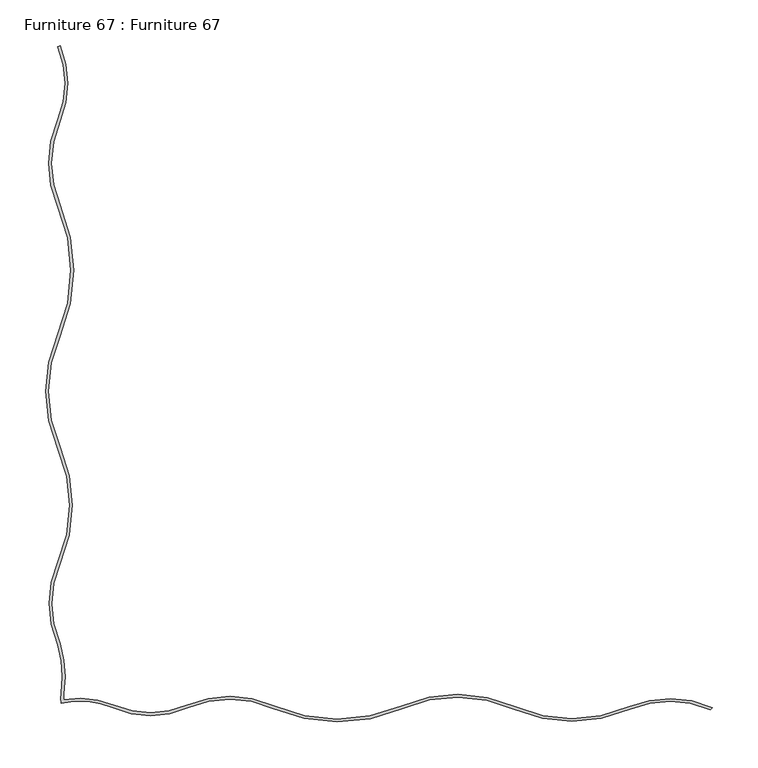
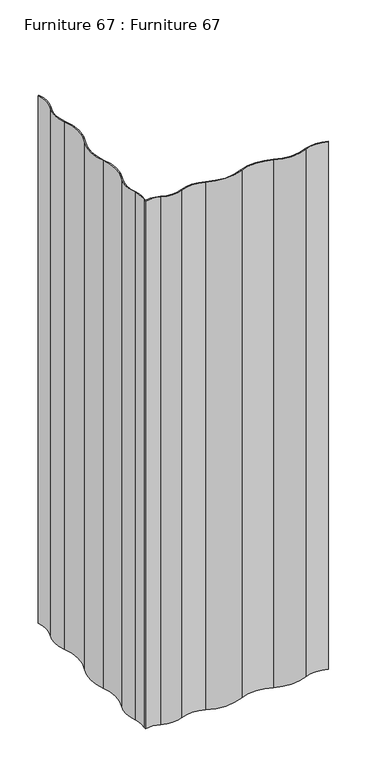
"""IFC4 building model written with IfcOpenShell, lengths in millimetres: furniture geometry, Furniture 67 : Furniture 67."""

from ifc_helpers import new_model, si_unit, point, frame, frame_2d, origin, place, context, project, spatial, polyline, circle_curve, trimmed, segment, composite_curve, outline, extrude, source, transform, mapped, element, save


def furniture_67_furniture_67_591b646f(model_context):
    return source(origin(), model_context, "Body", "SweptSolid", [
        extrude(outline(composite_curve([segment(trimmed(circle_curve(frame_2d((568.6067427, -7503.4659994)), 174.5827018), [point((728.5414786, -7573.4659994))], [point((728.5414786, -7433.4659994))], True, "CARTESIAN"), True, "CONTINUOUS"), segment(trimmed(circle_curve(frame_2d((837.0686208, -7385.9659994)), 118.4668333), [point((728.5414786, -7433.4659994))], [point((728.5414786, -7338.4659994))], False, "CARTESIAN"), True, "CONTINUOUS"), segment(trimmed(circle_curve(frame_2d((637.1502009, -7298.4659994)), 99.7615439), [point((728.5414786, -7338.4659994))], [point((728.5414786, -7258.4659994))], True, "CARTESIAN"), True, "CONTINUOUS"), segment(polyline([(728.5414786, -7258.4659994), (731.2897704, -7257.2631311)]), True, "CONTINUOUS"), segment(trimmed(circle_curve(frame_2d((637.1502009, -7298.4659994)), 102.7615439), [point((731.2897704, -7257.2631311))], [point((731.2897704, -7339.6688677))], False, "CARTESIAN"), True, "CONTINUOUS"), segment(trimmed(circle_curve(frame_2d((837.0686208, -7385.9659994)), 115.4668333), [point((731.2897704, -7339.6688677))], [point((731.2897704, -7432.2631311))], True, "CARTESIAN"), True, "CONTINUOUS"), segment(trimmed(circle_curve(frame_2d((568.6067427, -7503.4659994)), 177.5827018), [point((731.2897704, -7432.2631311))], [point((731.2897704, -7574.6688677))], False, "CARTESIAN"), True, "CONTINUOUS"), segment(trimmed(circle_curve(frame_2d((871.34035, -7635.9659994)), 152.8774123), [point((731.2897704, -7574.6688677))], [point((731.2897704, -7697.2631311))], True, "CARTESIAN"), True, "CONTINUOUS"), segment(trimmed(circle_curve(frame_2d((586.2042444, -7760.7639507)), 158.373495), [point((731.2897704, -7697.2631311))], [point((731.2897704, -7824.2647703))], False, "CARTESIAN"), True, "CONTINUOUS"), segment(trimmed(circle_curve(frame_2d((831.356666, -7868.061902)), 109.2317368), [point((731.2897704, -7824.2647703))], [point((731.3635288, -7912.0271707))], True, "CARTESIAN"), True, "CONTINUOUS"), segment(trimmed(circle_curve(frame_2d((609.4068936, -7948.4494502)), 127.2792336), [point((731.3635288, -7912.0271707))], [point((735.3505039, -7966.8399458))], False, "CARTESIAN"), True, "CONTINUOUS"), segment(trimmed(circle_curve(frame_2d((769.780027, -7971.8674021)), 34.7946458), [point((735.3505039, -7966.8399458))], [point((735.0368197, -7973.7586776))], True, "CARTESIAN"), True, "CONTINUOUS"), segment(trimmed(circle_curve(frame_2d((753.5226018, -8065.1862286)), 93.2776567), [point((735.0368197, -7973.7586776))], [point((790.637231, -7979.610382))], False, "CARTESIAN"), True, "CONTINUOUS"), segment(trimmed(circle_curve(frame_2d((830.3317607, -7888.0860139)), 99.7615439), [point((790.637231, -7979.610382))], [point((869.9946065, -7979.6241169))], True, "CARTESIAN"), True, "CONTINUOUS"), segment(trimmed(circle_curve(frame_2d((917.094236, -8088.3256141)), 118.4668333), [point((869.9946065, -7979.6241169))], [point((964.9939611, -7979.9743016))], False, "CARTESIAN"), True, "CONTINUOUS"), segment(trimmed(circle_curve(frame_2d((1035.5830297, -7820.298683)), 174.5827018), [point((964.9939611, -7979.9743016))], [point((1104.99301, -7980.4903632))], True, "CARTESIAN"), True, "CONTINUOUS"), segment(trimmed(circle_curve(frame_2d((1166.9662066, -8123.5186491)), 155.8774123), [point((1104.99301, -7980.4903632))], [point((1229.9921607, -7980.9511325))], False, "CARTESIAN"), True, "CONTINUOUS"), segment(trimmed(circle_curve(frame_2d((1292.8143658, -7838.8445053)), 155.373495), [point((1229.9921607, -7980.9511325))], [point((1354.5872169, -7981.4104123))], True, "CARTESIAN"), True, "CONTINUOUS"), segment(trimmed(circle_curve(frame_2d((1399.2079184, -8084.3907781)), 112.2317368), [point((1354.5872169, -7981.4104123))], [point((1445.8100673, -7982.2917944))], False, "CARTESIAN"), True, "CONTINUOUS"), segment(polyline([(1445.8100673, -7982.2917944), (1443.5414786, -7984.5603831)]), True, "CONTINUOUS"), segment(trimmed(circle_curve(frame_2d((1399.2079184, -8084.3907781)), 109.2317368), [point((1443.5414786, -7984.5603831))], [point((1355.7799464, -7984.1631194))], True, "CARTESIAN"), True, "CONTINUOUS"), segment(trimmed(circle_curve(frame_2d((1292.8143658, -7838.8445053)), 158.373495), [point((1355.7799464, -7984.1631194))], [point((1228.77917, -7983.6949717))], False, "CARTESIAN"), True, "CONTINUOUS"), segment(trimmed(circle_curve(frame_2d((1166.9662066, -8123.5186491)), 152.8774123), [point((1228.77917, -7983.6949717))], [point((1106.1857395, -7983.2430703))], True, "CARTESIAN"), True, "CONTINUOUS"), segment(trimmed(circle_curve(frame_2d((1035.5830297, -7820.298683)), 177.5827018), [point((1106.1857395, -7983.2430703))], [point((963.7809703, -7982.7181407))], False, "CARTESIAN"), True, "CONTINUOUS"), segment(trimmed(circle_curve(frame_2d((917.094236, -8088.3256141)), 115.4668333), [point((963.7809703, -7982.7181407))], [point((871.187336, -7982.376824))], True, "CARTESIAN"), True, "CONTINUOUS"), segment(trimmed(circle_curve(frame_2d((830.3317607, -7888.0860139)), 102.7615439), [point((871.187336, -7982.376824))], [point((789.4435487, -7982.362676))], False, "CARTESIAN"), True, "CONTINUOUS"), segment(trimmed(circle_curve(frame_2d((753.5226018, -8065.1862286)), 90.2776567), [point((789.4435487, -7982.362676))], [point((732.3948413, -7977.4156582))], True, "CARTESIAN"), True, "CONTINUOUS"), segment(trimmed(circle_curve(frame_2d((769.780027, -7971.8674021)), 37.7946458), [point((732.3948413, -7977.4156582))], [point((732.3819848, -7966.4064777))], False, "CARTESIAN"), True, "CONTINUOUS"), segment(trimmed(circle_curve(frame_2d((609.4068936, -7948.4494502)), 124.2792336), [point((732.3819848, -7966.4064777))], [point((728.5414786, -7913.061902))], True, "CARTESIAN"), True, "CONTINUOUS"), segment(trimmed(circle_curve(frame_2d((831.356666, -7868.061902)), 112.2317368), [point((728.5414786, -7913.061902))], [point((728.5414786, -7823.061902))], False, "CARTESIAN"), True, "CONTINUOUS"), segment(trimmed(circle_curve(frame_2d((586.2042444, -7760.7639507)), 155.373495), [point((728.5414786, -7823.061902))], [point((728.5414786, -7698.4659994))], True, "CARTESIAN"), True, "CONTINUOUS"), segment(trimmed(circle_curve(frame_2d((871.34035, -7635.9659994)), 155.8774123), [point((728.5414786, -7698.4659994))], [point((728.5414786, -7573.4659994))], False, "CARTESIAN"), True, "CONTINUOUS")], self_intersect=False)), frame((0.0, 0.0, 161.282409), z_axis=(0.0, 0.0, 1.0), x_axis=(1.0, 0.0, 0.0)), (0.0, 0.0, 1.0), 2179.1609925),
    ])


if __name__ == "__main__":
    model = new_model("IFC4")
    model_context = context("Model", 3, world=origin())
    ifc_project = project(units=[si_unit("LENGTHUNIT", "METRE", prefix="MILLI")], contexts=[model_context])
    site = spatial("IfcSite", under=ifc_project)
    building = spatial("IfcBuilding", under=site)
    placement = place(None, origin())
    furniture_67_furniture_67_shape = furniture_67_furniture_67_591b646f(model_context)
    element("IfcFurniture", 1, ObjectType="Furniture 67 : Furniture 67", at=placement, inside=building, context=model_context, shape_type="MappedRepresentation", body=[
        mapped(furniture_67_furniture_67_shape, transform((0.0, 0.0, 0.0), x_axis=(1.0, 0.0, 0.0), y_axis=(0.0, 1.0, 0.0), z_axis=(0.0, 0.0, 1.0))),
    ])
    save(model, "model.ifc")
